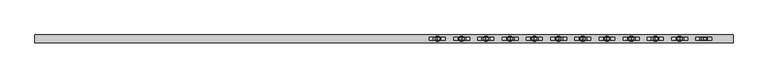
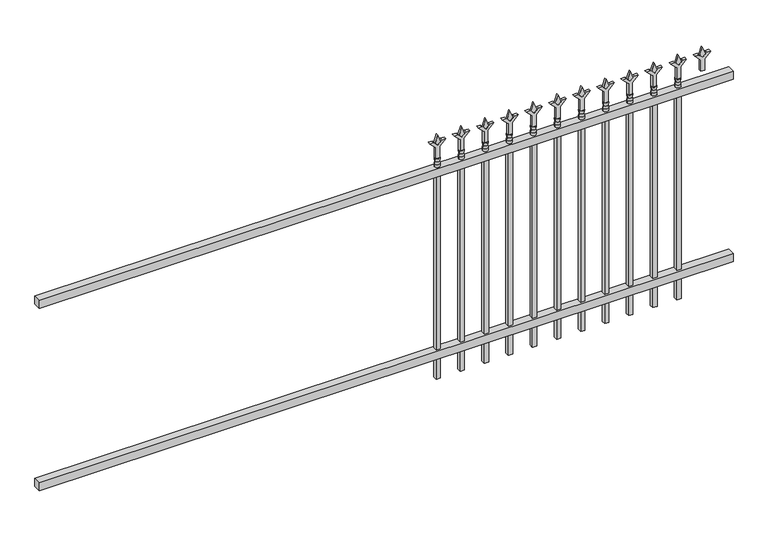
"""IFC4 building model written with IfcOpenShell, lengths in millimetres: railing geometry."""

from ifc_helpers import new_model, si_unit, frame, origin, place, context, project, spatial, polyline, circle_curve, outline, extrude, source, transform, mapped, element, save
from ifc_brep_helpers import plane_surface, cylinder_surface, revolved_surface, advanced_brep


def railing_3e22c603(model_context):
    return source(origin(), model_context, "Body", "SolidModel", [
        extrude(outline(polyline([(-79633.318087, 3004.8804826), (-79633.318087, 3039.8054826), (-76483.718087, 3039.8054826), (-76483.718087, 3004.8804826), (-79633.318087, 3004.8804826)])), frame((0.0, 0.0, 1028.7), z_axis=(0.0, 0.0, 1.0), x_axis=(1.0, 0.0, 0.0)), (0.0, 0.0, 1.0), 38.1),
        extrude(outline(polyline([(-79633.318087, 3004.8804826), (-79633.318087, 3039.8054826), (-76483.718087, 3039.8054826), (-76483.718087, 3004.8804826), (-79633.318087, 3004.8804826)])), frame((0.0, 0.0, 152.4), z_axis=(0.0, 0.0, 1.0), x_axis=(1.0, 0.0, 0.0)), (0.0, 0.0, 1.0), 38.1),
        extrude(outline(polyline([(1183.48125, -76712.8472536), (1219.2, -76724.7535036), (1183.48125, -76736.6597536), (1171.575, -76724.7535036), (1183.48125, -76712.8472536)])), frame((0.0, 3017.5804826, 0.0), z_axis=(0.0, 1.0, 0.0), x_axis=(0.0, 0.0, 1.0)), (0.0, 0.0, 1.0), 9.525),
        extrude(outline(polyline([(1108.075, -76716.0222536), (1162.3457378, -76716.0222536), (1189.5355122, -76688.8324791), (1189.5355122, -76706.7929914), (1171.575, -76724.7535036), (1189.5355122, -76742.7140159), (1189.5355122, -76760.6745281), (1162.3457378, -76733.4847536), (1108.075, -76733.4847536), (1108.075, -76716.0222536)])), frame((0.0, 3015.9929826, 0.0), z_axis=(0.0, 1.0, 0.0), x_axis=(0.0, 0.0, 1.0)), (0.0, 0.0, 1.0), 12.7),
        advanced_brep(
        [(-76712.8472536, 3022.3429826, 1079.5), (-76736.6597536, 3022.3429826, 1079.5), (-76736.6597536, 3022.3429826, 1066.8), (-76712.8472536, 3022.3429826, 1066.8), (-76715.0525855, 3022.3429826, 1092.0070585), (-76734.4544218, 3022.3429826, 1092.0070585), (-76712.8472536, 3022.3429826, 1108.075), (-76736.6597536, 3022.3429826, 1108.075), (-76724.7535036, 3022.3429826, 1108.075), (-76724.7535036, 3022.3429826, 1066.8)],
        [
            (0, 1, circle_curve(frame((-76724.7535036, 3022.3429826, 1079.5), z_axis=(0.0, 0.0, -1.0), x_axis=(-1.0, 0.0, 0.0)), 11.90625)),
            (1, 2),
            (2, 3, circle_curve(frame((-76724.7535036, 3022.3429826, 1066.8), z_axis=(0.0, 0.0, 1.0), x_axis=(-1.0, 0.0, 0.0)), 11.90625)),
            (3, 0),
            (1, 0, circle_curve(frame((-76724.7535036, 3022.3429826, 1079.5), z_axis=(0.0, 0.0, -1.0), x_axis=(-1.0, 0.0, 0.0)), 11.90625)),
            (3, 2, circle_curve(frame((-76724.7535036, 3022.3429826, 1066.8), z_axis=(0.0, 0.0, 1.0), x_axis=(-1.0, 0.0, 0.0)), 11.90625)),
            (4, 5, circle_curve(frame((-76724.7535036, 3022.3429826, 1092.0070585), z_axis=(0.0, 0.0, -1.0), x_axis=(-1.0, 0.0, 0.0)), 9.7009181)),
            (5, 1),
            (0, 4),
            (5, 4, circle_curve(frame((-76724.7535036, 3022.3429826, 1092.0070585), z_axis=(0.0, 0.0, -1.0), x_axis=(-1.0, 0.0, 0.0)), 9.7009181)),
            (6, 7, circle_curve(frame((-76724.7535036, 3022.3429826, 1108.075), z_axis=(0.0, 0.0, -1.0), x_axis=(-1.0, 0.0, 0.0)), 11.90625)),
            (7, 5),
            (4, 6),
            (7, 6, circle_curve(frame((-76724.7535036, 3022.3429826, 1108.075), z_axis=(0.0, 0.0, -1.0), x_axis=(-1.0, 0.0, 0.0)), 11.90625)),
            (8, 7),
            (6, 8),
            (2, 9),
            (9, 3),
        ],
        [
            cylinder_surface(frame((-76724.7535036, 3022.3429826, 1066.8), z_axis=(0.0, 0.0, 1.0), x_axis=(-1.0, 0.0, 0.0)), 11.90625),
            revolved_surface(polyline([(-76736.6597536, 3022.3429826, 1079.5), (-76734.4544218, 3022.3429826, 1092.0070585)]), (-76724.7535036, 3022.3429826, 1066.8), (0.0, 0.0, 1.0)),
            revolved_surface(polyline([(-76734.4544218, 3022.3429826, 1092.0070585), (-76736.6597536, 3022.3429826, 1108.075)]), (-76724.7535036, 3022.3429826, 1066.8), (0.0, 0.0, 1.0)),
            plane_surface(frame((-76724.7535036, 3022.3429826, 1108.075), z_axis=(0.0, 0.0, 1.0), x_axis=(-1.0, 0.0, 0.0))),
            plane_surface(frame((-76724.7535036, 3022.3429826, 1066.8), z_axis=(0.0, 0.0, -1.0), x_axis=(-1.0, 0.0, 0.0))),
        ],
        [
            (0, [[1, 2, 3, 4]]),
            (0, [[5, -4, 6, -2]]),
            (1, [[7, 8, -1, 9]]),
            (1, [[10, -9, -5, -8]]),
            (2, [[11, 12, -7, 13]]),
            (2, [[14, -13, -10, -12]]),
            (3, [[15, -11, 16]]),
            (3, [[-16, -14, -15]]),
            (4, [[-3, 17, 18]]),
            (4, [[-6, -18, -17]]),
        ],
    ),
        extrude(outline(polyline([(-76734.2785036, 3031.8679826), (-76715.2285036, 3031.8679826), (-76715.2285036, 3012.8179826), (-76734.2785036, 3012.8179826), (-76734.2785036, 3031.8679826)])), frame((0.0, 0.0, 50.8), z_axis=(0.0, 0.0, 1.0), x_axis=(1.0, 0.0, 0.0)), (0.0, 0.0, 1.0), 1016.0),
        extrude(outline(polyline([(1183.48125, -76822.1201703), (1219.2, -76834.0264203), (1183.48125, -76845.9326703), (1171.575, -76834.0264203), (1183.48125, -76822.1201703)])), frame((0.0, 3017.5804826, 0.0), z_axis=(0.0, 1.0, 0.0), x_axis=(0.0, 0.0, 1.0)), (0.0, 0.0, 1.0), 9.525),
        extrude(outline(polyline([(1108.075, -76825.2951703), (1162.3457378, -76825.2951703), (1189.5355122, -76798.1053958), (1189.5355122, -76816.0659081), (1171.575, -76834.0264203), (1189.5355122, -76851.9869325), (1189.5355122, -76869.9474448), (1162.3457378, -76842.7576703), (1108.075, -76842.7576703), (1108.075, -76825.2951703)])), frame((0.0, 3015.9929826, 0.0), z_axis=(0.0, 1.0, 0.0), x_axis=(0.0, 0.0, 1.0)), (0.0, 0.0, 1.0), 12.7),
        advanced_brep(
        [(-76822.1201703, 3022.3429826, 1079.5), (-76845.9326703, 3022.3429826, 1079.5), (-76845.9326703, 3022.3429826, 1066.8), (-76822.1201703, 3022.3429826, 1066.8), (-76824.3255022, 3022.3429826, 1092.0070585), (-76843.7273384, 3022.3429826, 1092.0070585), (-76822.1201703, 3022.3429826, 1108.075), (-76845.9326703, 3022.3429826, 1108.075), (-76834.0264203, 3022.3429826, 1108.075), (-76834.0264203, 3022.3429826, 1066.8)],
        [
            (0, 1, circle_curve(frame((-76834.0264203, 3022.3429826, 1079.5), z_axis=(0.0, 0.0, -1.0), x_axis=(-1.0, 0.0, 0.0)), 11.90625)),
            (1, 2),
            (2, 3, circle_curve(frame((-76834.0264203, 3022.3429826, 1066.8), z_axis=(0.0, 0.0, 1.0), x_axis=(-1.0, 0.0, 0.0)), 11.90625)),
            (3, 0),
            (1, 0, circle_curve(frame((-76834.0264203, 3022.3429826, 1079.5), z_axis=(0.0, 0.0, -1.0), x_axis=(-1.0, 0.0, 0.0)), 11.90625)),
            (3, 2, circle_curve(frame((-76834.0264203, 3022.3429826, 1066.8), z_axis=(0.0, 0.0, 1.0), x_axis=(-1.0, 0.0, 0.0)), 11.90625)),
            (4, 5, circle_curve(frame((-76834.0264203, 3022.3429826, 1092.0070585), z_axis=(0.0, 0.0, -1.0), x_axis=(-1.0, 0.0, 0.0)), 9.7009181)),
            (5, 1),
            (0, 4),
            (5, 4, circle_curve(frame((-76834.0264203, 3022.3429826, 1092.0070585), z_axis=(0.0, 0.0, -1.0), x_axis=(-1.0, 0.0, 0.0)), 9.7009181)),
            (6, 7, circle_curve(frame((-76834.0264203, 3022.3429826, 1108.075), z_axis=(0.0, 0.0, -1.0), x_axis=(-1.0, 0.0, 0.0)), 11.90625)),
            (7, 5),
            (4, 6),
            (7, 6, circle_curve(frame((-76834.0264203, 3022.3429826, 1108.075), z_axis=(0.0, 0.0, -1.0), x_axis=(-1.0, 0.0, 0.0)), 11.90625)),
            (8, 7),
            (6, 8),
            (2, 9),
            (9, 3),
        ],
        [
            cylinder_surface(frame((-76834.0264203, 3022.3429826, 1066.8), z_axis=(0.0, 0.0, 1.0), x_axis=(-1.0, 0.0, 0.0)), 11.90625),
            revolved_surface(polyline([(-76845.9326703, 3022.3429826, 1079.5), (-76843.7273384, 3022.3429826, 1092.0070585)]), (-76834.0264203, 3022.3429826, 1066.8), (0.0, 0.0, 1.0)),
            revolved_surface(polyline([(-76843.7273384, 3022.3429826, 1092.0070585), (-76845.9326703, 3022.3429826, 1108.075)]), (-76834.0264203, 3022.3429826, 1066.8), (0.0, 0.0, 1.0)),
            plane_surface(frame((-76834.0264203, 3022.3429826, 1108.075), z_axis=(0.0, 0.0, 1.0), x_axis=(-1.0, 0.0, 0.0))),
            plane_surface(frame((-76834.0264203, 3022.3429826, 1066.8), z_axis=(0.0, 0.0, -1.0), x_axis=(-1.0, 0.0, 0.0))),
        ],
        [
            (0, [[1, 2, 3, 4]]),
            (0, [[5, -4, 6, -2]]),
            (1, [[7, 8, -1, 9]]),
            (1, [[10, -9, -5, -8]]),
            (2, [[11, 12, -7, 13]]),
            (2, [[14, -13, -10, -12]]),
            (3, [[15, -11, 16]]),
            (3, [[-16, -14, -15]]),
            (4, [[-3, 17, 18]]),
            (4, [[-6, -18, -17]]),
        ],
    ),
        extrude(outline(polyline([(-76843.5514203, 3031.8679826), (-76824.5014203, 3031.8679826), (-76824.5014203, 3012.8179826), (-76843.5514203, 3012.8179826), (-76843.5514203, 3031.8679826)])), frame((0.0, 0.0, 50.8), z_axis=(0.0, 0.0, 1.0), x_axis=(1.0, 0.0, 0.0)), (0.0, 0.0, 1.0), 1016.0),
        extrude(outline(polyline([(1183.48125, -76931.393087), (1219.2, -76943.299337), (1183.48125, -76955.205587), (1171.575, -76943.299337), (1183.48125, -76931.393087)])), frame((0.0, 3017.5804826, 0.0), z_axis=(0.0, 1.0, 0.0), x_axis=(0.0, 0.0, 1.0)), (0.0, 0.0, 1.0), 9.525),
        extrude(outline(polyline([(1108.075, -76934.568087), (1162.3457378, -76934.568087), (1189.5355122, -76907.3783125), (1189.5355122, -76925.3388247), (1171.575, -76943.299337), (1189.5355122, -76961.2598492), (1189.5355122, -76979.2203614), (1162.3457378, -76952.030587), (1108.075, -76952.030587), (1108.075, -76934.568087)])), frame((0.0, 3015.9929826, 0.0), z_axis=(0.0, 1.0, 0.0), x_axis=(0.0, 0.0, 1.0)), (0.0, 0.0, 1.0), 12.7),
        advanced_brep(
        [(-76931.393087, 3022.3429826, 1079.5), (-76955.205587, 3022.3429826, 1079.5), (-76955.205587, 3022.3429826, 1066.8), (-76931.393087, 3022.3429826, 1066.8), (-76933.5984188, 3022.3429826, 1092.0070585), (-76953.0002551, 3022.3429826, 1092.0070585), (-76931.393087, 3022.3429826, 1108.075), (-76955.205587, 3022.3429826, 1108.075), (-76943.299337, 3022.3429826, 1108.075), (-76943.299337, 3022.3429826, 1066.8)],
        [
            (0, 1, circle_curve(frame((-76943.299337, 3022.3429826, 1079.5), z_axis=(0.0, 0.0, -1.0), x_axis=(-1.0, 0.0, 0.0)), 11.90625)),
            (1, 2),
            (2, 3, circle_curve(frame((-76943.299337, 3022.3429826, 1066.8), z_axis=(0.0, 0.0, 1.0), x_axis=(-1.0, 0.0, 0.0)), 11.90625)),
            (3, 0),
            (1, 0, circle_curve(frame((-76943.299337, 3022.3429826, 1079.5), z_axis=(0.0, 0.0, -1.0), x_axis=(-1.0, 0.0, 0.0)), 11.90625)),
            (3, 2, circle_curve(frame((-76943.299337, 3022.3429826, 1066.8), z_axis=(0.0, 0.0, 1.0), x_axis=(-1.0, 0.0, 0.0)), 11.90625)),
            (4, 5, circle_curve(frame((-76943.299337, 3022.3429826, 1092.0070585), z_axis=(0.0, 0.0, -1.0), x_axis=(-1.0, 0.0, 0.0)), 9.7009181)),
            (5, 1),
            (0, 4),
            (5, 4, circle_curve(frame((-76943.299337, 3022.3429826, 1092.0070585), z_axis=(0.0, 0.0, -1.0), x_axis=(-1.0, 0.0, 0.0)), 9.7009181)),
            (6, 7, circle_curve(frame((-76943.299337, 3022.3429826, 1108.075), z_axis=(0.0, 0.0, -1.0), x_axis=(-1.0, 0.0, 0.0)), 11.90625)),
            (7, 5),
            (4, 6),
            (7, 6, circle_curve(frame((-76943.299337, 3022.3429826, 1108.075), z_axis=(0.0, 0.0, -1.0), x_axis=(-1.0, 0.0, 0.0)), 11.90625)),
            (8, 7),
            (6, 8),
            (2, 9),
            (9, 3),
        ],
        [
            cylinder_surface(frame((-76943.299337, 3022.3429826, 1066.8), z_axis=(0.0, 0.0, 1.0), x_axis=(-1.0, 0.0, 0.0)), 11.90625),
            revolved_surface(polyline([(-76955.205587, 3022.3429826, 1079.5), (-76953.0002551, 3022.3429826, 1092.0070585)]), (-76943.299337, 3022.3429826, 1066.8), (0.0, 0.0, 1.0)),
            revolved_surface(polyline([(-76953.0002551, 3022.3429826, 1092.0070585), (-76955.205587, 3022.3429826, 1108.075)]), (-76943.299337, 3022.3429826, 1066.8), (0.0, 0.0, 1.0)),
            plane_surface(frame((-76943.299337, 3022.3429826, 1108.075), z_axis=(0.0, 0.0, 1.0), x_axis=(-1.0, 0.0, 0.0))),
            plane_surface(frame((-76943.299337, 3022.3429826, 1066.8), z_axis=(0.0, 0.0, -1.0), x_axis=(-1.0, 0.0, 0.0))),
        ],
        [
            (0, [[1, 2, 3, 4]]),
            (0, [[5, -4, 6, -2]]),
            (1, [[7, 8, -1, 9]]),
            (1, [[10, -9, -5, -8]]),
            (2, [[11, 12, -7, 13]]),
            (2, [[14, -13, -10, -12]]),
            (3, [[15, -11, 16]]),
            (3, [[-16, -14, -15]]),
            (4, [[-3, 17, 18]]),
            (4, [[-6, -18, -17]]),
        ],
    ),
        extrude(outline(polyline([(-76952.824337, 3031.8679826), (-76933.774337, 3031.8679826), (-76933.774337, 3012.8179826), (-76952.824337, 3012.8179826), (-76952.824337, 3031.8679826)])), frame((0.0, 0.0, 50.8), z_axis=(0.0, 0.0, 1.0), x_axis=(1.0, 0.0, 0.0)), (0.0, 0.0, 1.0), 1016.0),
        extrude(outline(polyline([(1183.48125, -77040.6660036), (1219.2, -77052.5722536), (1183.48125, -77064.4785036), (1171.575, -77052.5722536), (1183.48125, -77040.6660036)])), frame((0.0, 3017.5804826, 0.0), z_axis=(0.0, 1.0, 0.0), x_axis=(0.0, 0.0, 1.0)), (0.0, 0.0, 1.0), 9.525),
        extrude(outline(polyline([(1108.075, -77043.8410036), (1162.3457378, -77043.8410036), (1189.5355122, -77016.6512291), (1189.5355122, -77034.6117414), (1171.575, -77052.5722536), (1189.5355122, -77070.5327659), (1189.5355122, -77088.4932781), (1162.3457378, -77061.3035036), (1108.075, -77061.3035036), (1108.075, -77043.8410036)])), frame((0.0, 3015.9929826, 0.0), z_axis=(0.0, 1.0, 0.0), x_axis=(0.0, 0.0, 1.0)), (0.0, 0.0, 1.0), 12.7),
        advanced_brep(
        [(-77040.6660036, 3022.3429826, 1079.5), (-77064.4785036, 3022.3429826, 1079.5), (-77064.4785036, 3022.3429826, 1066.8), (-77040.6660036, 3022.3429826, 1066.8), (-77042.8713355, 3022.3429826, 1092.0070585), (-77062.2731718, 3022.3429826, 1092.0070585), (-77040.6660036, 3022.3429826, 1108.075), (-77064.4785036, 3022.3429826, 1108.075), (-77052.5722536, 3022.3429826, 1108.075), (-77052.5722536, 3022.3429826, 1066.8)],
        [
            (0, 1, circle_curve(frame((-77052.5722536, 3022.3429826, 1079.5), z_axis=(0.0, 0.0, -1.0), x_axis=(-1.0, 0.0, 0.0)), 11.90625)),
            (1, 2),
            (2, 3, circle_curve(frame((-77052.5722536, 3022.3429826, 1066.8), z_axis=(0.0, 0.0, 1.0), x_axis=(-1.0, 0.0, 0.0)), 11.90625)),
            (3, 0),
            (1, 0, circle_curve(frame((-77052.5722536, 3022.3429826, 1079.5), z_axis=(0.0, 0.0, -1.0), x_axis=(-1.0, 0.0, 0.0)), 11.90625)),
            (3, 2, circle_curve(frame((-77052.5722536, 3022.3429826, 1066.8), z_axis=(0.0, 0.0, 1.0), x_axis=(-1.0, 0.0, 0.0)), 11.90625)),
            (4, 5, circle_curve(frame((-77052.5722536, 3022.3429826, 1092.0070585), z_axis=(0.0, 0.0, -1.0), x_axis=(-1.0, 0.0, 0.0)), 9.7009181)),
            (5, 1),
            (0, 4),
            (5, 4, circle_curve(frame((-77052.5722536, 3022.3429826, 1092.0070585), z_axis=(0.0, 0.0, -1.0), x_axis=(-1.0, 0.0, 0.0)), 9.7009181)),
            (6, 7, circle_curve(frame((-77052.5722536, 3022.3429826, 1108.075), z_axis=(0.0, 0.0, -1.0), x_axis=(-1.0, 0.0, 0.0)), 11.90625)),
            (7, 5),
            (4, 6),
            (7, 6, circle_curve(frame((-77052.5722536, 3022.3429826, 1108.075), z_axis=(0.0, 0.0, -1.0), x_axis=(-1.0, 0.0, 0.0)), 11.90625)),
            (8, 7),
            (6, 8),
            (2, 9),
            (9, 3),
        ],
        [
            cylinder_surface(frame((-77052.5722536, 3022.3429826, 1066.8), z_axis=(0.0, 0.0, 1.0), x_axis=(-1.0, 0.0, 0.0)), 11.90625),
            revolved_surface(polyline([(-77064.4785036, 3022.3429826, 1079.5), (-77062.2731718, 3022.3429826, 1092.0070585)]), (-77052.5722536, 3022.3429826, 1066.8), (0.0, 0.0, 1.0)),
            revolved_surface(polyline([(-77062.2731718, 3022.3429826, 1092.0070585), (-77064.4785036, 3022.3429826, 1108.075)]), (-77052.5722536, 3022.3429826, 1066.8), (0.0, 0.0, 1.0)),
            plane_surface(frame((-77052.5722536, 3022.3429826, 1108.075), z_axis=(0.0, 0.0, 1.0), x_axis=(-1.0, 0.0, 0.0))),
            plane_surface(frame((-77052.5722536, 3022.3429826, 1066.8), z_axis=(0.0, 0.0, -1.0), x_axis=(-1.0, 0.0, 0.0))),
        ],
        [
            (0, [[1, 2, 3, 4]]),
            (0, [[5, -4, 6, -2]]),
            (1, [[7, 8, -1, 9]]),
            (1, [[10, -9, -5, -8]]),
            (2, [[11, 12, -7, 13]]),
            (2, [[14, -13, -10, -12]]),
            (3, [[15, -11, 16]]),
            (3, [[-16, -14, -15]]),
            (4, [[-3, 17, 18]]),
            (4, [[-6, -18, -17]]),
        ],
    ),
        extrude(outline(polyline([(-77062.0972536, 3031.8679826), (-77043.0472536, 3031.8679826), (-77043.0472536, 3012.8179826), (-77062.0972536, 3012.8179826), (-77062.0972536, 3031.8679826)])), frame((0.0, 0.0, 50.8), z_axis=(0.0, 0.0, 1.0), x_axis=(1.0, 0.0, 0.0)), (0.0, 0.0, 1.0), 1016.0),
        extrude(outline(polyline([(1183.48125, -77149.9389203), (1219.2, -77161.8451703), (1183.48125, -77173.7514203), (1171.575, -77161.8451703), (1183.48125, -77149.9389203)])), frame((0.0, 3017.5804826, 0.0), z_axis=(0.0, 1.0, 0.0), x_axis=(0.0, 0.0, 1.0)), (0.0, 0.0, 1.0), 9.525),
        extrude(outline(polyline([(1108.075, -77153.1139203), (1162.3457378, -77153.1139203), (1189.5355122, -77125.9241458), (1189.5355122, -77143.8846581), (1171.575, -77161.8451703), (1189.5355122, -77179.8056825), (1189.5355122, -77197.7661948), (1162.3457378, -77170.5764203), (1108.075, -77170.5764203), (1108.075, -77153.1139203)])), frame((0.0, 3015.9929826, 0.0), z_axis=(0.0, 1.0, 0.0), x_axis=(0.0, 0.0, 1.0)), (0.0, 0.0, 1.0), 12.7),
        advanced_brep(
        [(-77149.9389203, 3022.3429826, 1079.5), (-77173.7514203, 3022.3429826, 1079.5), (-77173.7514203, 3022.3429826, 1066.8), (-77149.9389203, 3022.3429826, 1066.8), (-77152.1442522, 3022.3429826, 1092.0070585), (-77171.5460884, 3022.3429826, 1092.0070585), (-77149.9389203, 3022.3429826, 1108.075), (-77173.7514203, 3022.3429826, 1108.075), (-77161.8451703, 3022.3429826, 1108.075), (-77161.8451703, 3022.3429826, 1066.8)],
        [
            (0, 1, circle_curve(frame((-77161.8451703, 3022.3429826, 1079.5), z_axis=(0.0, 0.0, -1.0), x_axis=(-1.0, 0.0, 0.0)), 11.90625)),
            (1, 2),
            (2, 3, circle_curve(frame((-77161.8451703, 3022.3429826, 1066.8), z_axis=(0.0, 0.0, 1.0), x_axis=(-1.0, 0.0, 0.0)), 11.90625)),
            (3, 0),
            (1, 0, circle_curve(frame((-77161.8451703, 3022.3429826, 1079.5), z_axis=(0.0, 0.0, -1.0), x_axis=(-1.0, 0.0, 0.0)), 11.90625)),
            (3, 2, circle_curve(frame((-77161.8451703, 3022.3429826, 1066.8), z_axis=(0.0, 0.0, 1.0), x_axis=(-1.0, 0.0, 0.0)), 11.90625)),
            (4, 5, circle_curve(frame((-77161.8451703, 3022.3429826, 1092.0070585), z_axis=(0.0, 0.0, -1.0), x_axis=(-1.0, 0.0, 0.0)), 9.7009181)),
            (5, 1),
            (0, 4),
            (5, 4, circle_curve(frame((-77161.8451703, 3022.3429826, 1092.0070585), z_axis=(0.0, 0.0, -1.0), x_axis=(-1.0, 0.0, 0.0)), 9.7009181)),
            (6, 7, circle_curve(frame((-77161.8451703, 3022.3429826, 1108.075), z_axis=(0.0, 0.0, -1.0), x_axis=(-1.0, 0.0, 0.0)), 11.90625)),
            (7, 5),
            (4, 6),
            (7, 6, circle_curve(frame((-77161.8451703, 3022.3429826, 1108.075), z_axis=(0.0, 0.0, -1.0), x_axis=(-1.0, 0.0, 0.0)), 11.90625)),
            (8, 7),
            (6, 8),
            (2, 9),
            (9, 3),
        ],
        [
            cylinder_surface(frame((-77161.8451703, 3022.3429826, 1066.8), z_axis=(0.0, 0.0, 1.0), x_axis=(-1.0, 0.0, 0.0)), 11.90625),
            revolved_surface(polyline([(-77173.7514203, 3022.3429826, 1079.5), (-77171.5460884, 3022.3429826, 1092.0070585)]), (-77161.8451703, 3022.3429826, 1066.8), (0.0, 0.0, 1.0)),
            revolved_surface(polyline([(-77171.5460884, 3022.3429826, 1092.0070585), (-77173.7514203, 3022.3429826, 1108.075)]), (-77161.8451703, 3022.3429826, 1066.8), (0.0, 0.0, 1.0)),
            plane_surface(frame((-77161.8451703, 3022.3429826, 1108.075), z_axis=(0.0, 0.0, 1.0), x_axis=(-1.0, 0.0, 0.0))),
            plane_surface(frame((-77161.8451703, 3022.3429826, 1066.8), z_axis=(0.0, 0.0, -1.0), x_axis=(-1.0, 0.0, 0.0))),
        ],
        [
            (0, [[1, 2, 3, 4]]),
            (0, [[5, -4, 6, -2]]),
            (1, [[7, 8, -1, 9]]),
            (1, [[10, -9, -5, -8]]),
            (2, [[11, 12, -7, 13]]),
            (2, [[14, -13, -10, -12]]),
            (3, [[15, -11, 16]]),
            (3, [[-16, -14, -15]]),
            (4, [[-3, 17, 18]]),
            (4, [[-6, -18, -17]]),
        ],
    ),
        extrude(outline(polyline([(-77171.3701703, 3031.8679826), (-77152.3201703, 3031.8679826), (-77152.3201703, 3012.8179826), (-77171.3701703, 3012.8179826), (-77171.3701703, 3031.8679826)])), frame((0.0, 0.0, 50.8), z_axis=(0.0, 0.0, 1.0), x_axis=(1.0, 0.0, 0.0)), (0.0, 0.0, 1.0), 1016.0),
        extrude(outline(polyline([(1183.48125, -77259.211837), (1219.2, -77271.118087), (1183.48125, -77283.024337), (1171.575, -77271.118087), (1183.48125, -77259.211837)])), frame((0.0, 3017.5804826, 0.0), z_axis=(0.0, 1.0, 0.0), x_axis=(0.0, 0.0, 1.0)), (0.0, 0.0, 1.0), 9.525),
        extrude(outline(polyline([(1108.075, -77262.386837), (1162.3457378, -77262.386837), (1189.5355122, -77235.1970625), (1189.5355122, -77253.1575747), (1171.575, -77271.118087), (1189.5355122, -77289.0785992), (1189.5355122, -77307.0391114), (1162.3457378, -77279.849337), (1108.075, -77279.849337), (1108.075, -77262.386837)])), frame((0.0, 3015.9929826, 0.0), z_axis=(0.0, 1.0, 0.0), x_axis=(0.0, 0.0, 1.0)), (0.0, 0.0, 1.0), 12.7),
        advanced_brep(
        [(-77259.211837, 3022.3429826, 1079.5), (-77283.024337, 3022.3429826, 1079.5), (-77283.024337, 3022.3429826, 1066.8), (-77259.211837, 3022.3429826, 1066.8), (-77261.4171688, 3022.3429826, 1092.0070585), (-77280.8190051, 3022.3429826, 1092.0070585), (-77259.211837, 3022.3429826, 1108.075), (-77283.024337, 3022.3429826, 1108.075), (-77271.118087, 3022.3429826, 1108.075), (-77271.118087, 3022.3429826, 1066.8)],
        [
            (0, 1, circle_curve(frame((-77271.118087, 3022.3429826, 1079.5), z_axis=(0.0, 0.0, -1.0), x_axis=(-1.0, 0.0, 0.0)), 11.90625)),
            (1, 2),
            (2, 3, circle_curve(frame((-77271.118087, 3022.3429826, 1066.8), z_axis=(0.0, 0.0, 1.0), x_axis=(-1.0, 0.0, 0.0)), 11.90625)),
            (3, 0),
            (1, 0, circle_curve(frame((-77271.118087, 3022.3429826, 1079.5), z_axis=(0.0, 0.0, -1.0), x_axis=(-1.0, 0.0, 0.0)), 11.90625)),
            (3, 2, circle_curve(frame((-77271.118087, 3022.3429826, 1066.8), z_axis=(0.0, 0.0, 1.0), x_axis=(-1.0, 0.0, 0.0)), 11.90625)),
            (4, 5, circle_curve(frame((-77271.118087, 3022.3429826, 1092.0070585), z_axis=(0.0, 0.0, -1.0), x_axis=(-1.0, 0.0, 0.0)), 9.7009181)),
            (5, 1),
            (0, 4),
            (5, 4, circle_curve(frame((-77271.118087, 3022.3429826, 1092.0070585), z_axis=(0.0, 0.0, -1.0), x_axis=(-1.0, 0.0, 0.0)), 9.7009181)),
            (6, 7, circle_curve(frame((-77271.118087, 3022.3429826, 1108.075), z_axis=(0.0, 0.0, -1.0), x_axis=(-1.0, 0.0, 0.0)), 11.90625)),
            (7, 5),
            (4, 6),
            (7, 6, circle_curve(frame((-77271.118087, 3022.3429826, 1108.075), z_axis=(0.0, 0.0, -1.0), x_axis=(-1.0, 0.0, 0.0)), 11.90625)),
            (8, 7),
            (6, 8),
            (2, 9),
            (9, 3),
        ],
        [
            cylinder_surface(frame((-77271.118087, 3022.3429826, 1066.8), z_axis=(0.0, 0.0, 1.0), x_axis=(-1.0, 0.0, 0.0)), 11.90625),
            revolved_surface(polyline([(-77283.024337, 3022.3429826, 1079.5), (-77280.8190051, 3022.3429826, 1092.0070585)]), (-77271.118087, 3022.3429826, 1066.8), (0.0, 0.0, 1.0)),
            revolved_surface(polyline([(-77280.8190051, 3022.3429826, 1092.0070585), (-77283.024337, 3022.3429826, 1108.075)]), (-77271.118087, 3022.3429826, 1066.8), (0.0, 0.0, 1.0)),
            plane_surface(frame((-77271.118087, 3022.3429826, 1108.075), z_axis=(0.0, 0.0, 1.0), x_axis=(-1.0, 0.0, 0.0))),
            plane_surface(frame((-77271.118087, 3022.3429826, 1066.8), z_axis=(0.0, 0.0, -1.0), x_axis=(-1.0, 0.0, 0.0))),
        ],
        [
            (0, [[1, 2, 3, 4]]),
            (0, [[5, -4, 6, -2]]),
            (1, [[7, 8, -1, 9]]),
            (1, [[10, -9, -5, -8]]),
            (2, [[11, 12, -7, 13]]),
            (2, [[14, -13, -10, -12]]),
            (3, [[15, -11, 16]]),
            (3, [[-16, -14, -15]]),
            (4, [[-3, 17, 18]]),
            (4, [[-6, -18, -17]]),
        ],
    ),
        extrude(outline(polyline([(-77280.643087, 3031.8679826), (-77261.593087, 3031.8679826), (-77261.593087, 3012.8179826), (-77280.643087, 3012.8179826), (-77280.643087, 3031.8679826)])), frame((0.0, 0.0, 50.8), z_axis=(0.0, 0.0, 1.0), x_axis=(1.0, 0.0, 0.0)), (0.0, 0.0, 1.0), 1016.0),
        extrude(outline(polyline([(1183.48125, -77368.4847536), (1219.2, -77380.3910036), (1183.48125, -77392.2972536), (1171.575, -77380.3910036), (1183.48125, -77368.4847536)])), frame((0.0, 3017.5804826, 0.0), z_axis=(0.0, 1.0, 0.0), x_axis=(0.0, 0.0, 1.0)), (0.0, 0.0, 1.0), 9.525),
        extrude(outline(polyline([(1108.075, -77371.6597536), (1162.3457378, -77371.6597536), (1189.5355122, -77344.4699791), (1189.5355122, -77362.4304914), (1171.575, -77380.3910036), (1189.5355122, -77398.3515159), (1189.5355122, -77416.3120281), (1162.3457378, -77389.1222536), (1108.075, -77389.1222536), (1108.075, -77371.6597536)])), frame((0.0, 3015.9929826, 0.0), z_axis=(0.0, 1.0, 0.0), x_axis=(0.0, 0.0, 1.0)), (0.0, 0.0, 1.0), 12.7),
        advanced_brep(
        [(-77368.4847536, 3022.3429826, 1079.5), (-77392.2972536, 3022.3429826, 1079.5), (-77392.2972536, 3022.3429826, 1066.8), (-77368.4847536, 3022.3429826, 1066.8), (-77370.6900855, 3022.3429826, 1092.0070585), (-77390.0919218, 3022.3429826, 1092.0070585), (-77368.4847536, 3022.3429826, 1108.075), (-77392.2972536, 3022.3429826, 1108.075), (-77380.3910036, 3022.3429826, 1108.075), (-77380.3910036, 3022.3429826, 1066.8)],
        [
            (0, 1, circle_curve(frame((-77380.3910036, 3022.3429826, 1079.5), z_axis=(0.0, 0.0, -1.0), x_axis=(-1.0, 0.0, 0.0)), 11.90625)),
            (1, 2),
            (2, 3, circle_curve(frame((-77380.3910036, 3022.3429826, 1066.8), z_axis=(0.0, 0.0, 1.0), x_axis=(-1.0, 0.0, 0.0)), 11.90625)),
            (3, 0),
            (1, 0, circle_curve(frame((-77380.3910036, 3022.3429826, 1079.5), z_axis=(0.0, 0.0, -1.0), x_axis=(-1.0, 0.0, 0.0)), 11.90625)),
            (3, 2, circle_curve(frame((-77380.3910036, 3022.3429826, 1066.8), z_axis=(0.0, 0.0, 1.0), x_axis=(-1.0, 0.0, 0.0)), 11.90625)),
            (4, 5, circle_curve(frame((-77380.3910036, 3022.3429826, 1092.0070585), z_axis=(0.0, 0.0, -1.0), x_axis=(-1.0, 0.0, 0.0)), 9.7009181)),
            (5, 1),
            (0, 4),
            (5, 4, circle_curve(frame((-77380.3910036, 3022.3429826, 1092.0070585), z_axis=(0.0, 0.0, -1.0), x_axis=(-1.0, 0.0, 0.0)), 9.7009181)),
            (6, 7, circle_curve(frame((-77380.3910036, 3022.3429826, 1108.075), z_axis=(0.0, 0.0, -1.0), x_axis=(-1.0, 0.0, 0.0)), 11.90625)),
            (7, 5),
            (4, 6),
            (7, 6, circle_curve(frame((-77380.3910036, 3022.3429826, 1108.075), z_axis=(0.0, 0.0, -1.0), x_axis=(-1.0, 0.0, 0.0)), 11.90625)),
            (8, 7),
            (6, 8),
            (2, 9),
            (9, 3),
        ],
        [
            cylinder_surface(frame((-77380.3910036, 3022.3429826, 1066.8), z_axis=(0.0, 0.0, 1.0), x_axis=(-1.0, 0.0, 0.0)), 11.90625),
            revolved_surface(polyline([(-77392.2972536, 3022.3429826, 1079.5), (-77390.0919218, 3022.3429826, 1092.0070585)]), (-77380.3910036, 3022.3429826, 1066.8), (0.0, 0.0, 1.0)),
            revolved_surface(polyline([(-77390.0919218, 3022.3429826, 1092.0070585), (-77392.2972536, 3022.3429826, 1108.075)]), (-77380.3910036, 3022.3429826, 1066.8), (0.0, 0.0, 1.0)),
            plane_surface(frame((-77380.3910036, 3022.3429826, 1108.075), z_axis=(0.0, 0.0, 1.0), x_axis=(-1.0, 0.0, 0.0))),
            plane_surface(frame((-77380.3910036, 3022.3429826, 1066.8), z_axis=(0.0, 0.0, -1.0), x_axis=(-1.0, 0.0, 0.0))),
        ],
        [
            (0, [[1, 2, 3, 4]]),
            (0, [[5, -4, 6, -2]]),
            (1, [[7, 8, -1, 9]]),
            (1, [[10, -9, -5, -8]]),
            (2, [[11, 12, -7, 13]]),
            (2, [[14, -13, -10, -12]]),
            (3, [[15, -11, 16]]),
            (3, [[-16, -14, -15]]),
            (4, [[-3, 17, 18]]),
            (4, [[-6, -18, -17]]),
        ],
    ),
        extrude(outline(polyline([(-77389.9160036, 3031.8679826), (-77370.8660036, 3031.8679826), (-77370.8660036, 3012.8179826), (-77389.9160036, 3012.8179826), (-77389.9160036, 3031.8679826)])), frame((0.0, 0.0, 50.8), z_axis=(0.0, 0.0, 1.0), x_axis=(1.0, 0.0, 0.0)), (0.0, 0.0, 1.0), 1016.0),
        extrude(outline(polyline([(1183.48125, -77477.7576703), (1219.2, -77489.6639203), (1183.48125, -77501.5701703), (1171.575, -77489.6639203), (1183.48125, -77477.7576703)])), frame((0.0, 3017.5804826, 0.0), z_axis=(0.0, 1.0, 0.0), x_axis=(0.0, 0.0, 1.0)), (0.0, 0.0, 1.0), 9.525),
        extrude(outline(polyline([(1108.075, -77480.9326703), (1162.3457378, -77480.9326703), (1189.5355122, -77453.7428958), (1189.5355122, -77471.7034081), (1171.575, -77489.6639203), (1189.5355122, -77507.6244325), (1189.5355122, -77525.5849448), (1162.3457378, -77498.3951703), (1108.075, -77498.3951703), (1108.075, -77480.9326703)])), frame((0.0, 3015.9929826, 0.0), z_axis=(0.0, 1.0, 0.0), x_axis=(0.0, 0.0, 1.0)), (0.0, 0.0, 1.0), 12.7),
        advanced_brep(
        [(-77477.7576703, 3022.3429826, 1079.5), (-77501.5701703, 3022.3429826, 1079.5), (-77501.5701703, 3022.3429826, 1066.8), (-77477.7576703, 3022.3429826, 1066.8), (-77479.9630022, 3022.3429826, 1092.0070585), (-77499.3648384, 3022.3429826, 1092.0070585), (-77477.7576703, 3022.3429826, 1108.075), (-77501.5701703, 3022.3429826, 1108.075), (-77489.6639203, 3022.3429826, 1108.075), (-77489.6639203, 3022.3429826, 1066.8)],
        [
            (0, 1, circle_curve(frame((-77489.6639203, 3022.3429826, 1079.5), z_axis=(0.0, 0.0, -1.0), x_axis=(-1.0, 0.0, 0.0)), 11.90625)),
            (1, 2),
            (2, 3, circle_curve(frame((-77489.6639203, 3022.3429826, 1066.8), z_axis=(0.0, 0.0, 1.0), x_axis=(-1.0, 0.0, 0.0)), 11.90625)),
            (3, 0),
            (1, 0, circle_curve(frame((-77489.6639203, 3022.3429826, 1079.5), z_axis=(0.0, 0.0, -1.0), x_axis=(-1.0, 0.0, 0.0)), 11.90625)),
            (3, 2, circle_curve(frame((-77489.6639203, 3022.3429826, 1066.8), z_axis=(0.0, 0.0, 1.0), x_axis=(-1.0, 0.0, 0.0)), 11.90625)),
            (4, 5, circle_curve(frame((-77489.6639203, 3022.3429826, 1092.0070585), z_axis=(0.0, 0.0, -1.0), x_axis=(-1.0, 0.0, 0.0)), 9.7009181)),
            (5, 1),
            (0, 4),
            (5, 4, circle_curve(frame((-77489.6639203, 3022.3429826, 1092.0070585), z_axis=(0.0, 0.0, -1.0), x_axis=(-1.0, 0.0, 0.0)), 9.7009181)),
            (6, 7, circle_curve(frame((-77489.6639203, 3022.3429826, 1108.075), z_axis=(0.0, 0.0, -1.0), x_axis=(-1.0, 0.0, 0.0)), 11.90625)),
            (7, 5),
            (4, 6),
            (7, 6, circle_curve(frame((-77489.6639203, 3022.3429826, 1108.075), z_axis=(0.0, 0.0, -1.0), x_axis=(-1.0, 0.0, 0.0)), 11.90625)),
            (8, 7),
            (6, 8),
            (2, 9),
            (9, 3),
        ],
        [
            cylinder_surface(frame((-77489.6639203, 3022.3429826, 1066.8), z_axis=(0.0, 0.0, 1.0), x_axis=(-1.0, 0.0, 0.0)), 11.90625),
            revolved_surface(polyline([(-77501.5701703, 3022.3429826, 1079.5), (-77499.3648384, 3022.3429826, 1092.0070585)]), (-77489.6639203, 3022.3429826, 1066.8), (0.0, 0.0, 1.0)),
            revolved_surface(polyline([(-77499.3648384, 3022.3429826, 1092.0070585), (-77501.5701703, 3022.3429826, 1108.075)]), (-77489.6639203, 3022.3429826, 1066.8), (0.0, 0.0, 1.0)),
            plane_surface(frame((-77489.6639203, 3022.3429826, 1108.075), z_axis=(0.0, 0.0, 1.0), x_axis=(-1.0, 0.0, 0.0))),
            plane_surface(frame((-77489.6639203, 3022.3429826, 1066.8), z_axis=(0.0, 0.0, -1.0), x_axis=(-1.0, 0.0, 0.0))),
        ],
        [
            (0, [[1, 2, 3, 4]]),
            (0, [[5, -4, 6, -2]]),
            (1, [[7, 8, -1, 9]]),
            (1, [[10, -9, -5, -8]]),
            (2, [[11, 12, -7, 13]]),
            (2, [[14, -13, -10, -12]]),
            (3, [[15, -11, 16]]),
            (3, [[-16, -14, -15]]),
            (4, [[-3, 17, 18]]),
            (4, [[-6, -18, -17]]),
        ],
    ),
        extrude(outline(polyline([(-77499.1889203, 3031.8679826), (-77480.1389203, 3031.8679826), (-77480.1389203, 3012.8179826), (-77499.1889203, 3012.8179826), (-77499.1889203, 3031.8679826)])), frame((0.0, 0.0, 50.8), z_axis=(0.0, 0.0, 1.0), x_axis=(1.0, 0.0, 0.0)), (0.0, 0.0, 1.0), 1016.0),
        extrude(outline(polyline([(1183.48125, -77587.030587), (1219.2, -77598.936837), (1183.48125, -77610.843087), (1171.575, -77598.936837), (1183.48125, -77587.030587)])), frame((0.0, 3017.5804826, 0.0), z_axis=(0.0, 1.0, 0.0), x_axis=(0.0, 0.0, 1.0)), (0.0, 0.0, 1.0), 9.525),
        extrude(outline(polyline([(1108.075, -77590.205587), (1162.3457378, -77590.205587), (1189.5355122, -77563.0158125), (1189.5355122, -77580.9763247), (1171.575, -77598.936837), (1189.5355122, -77616.8973492), (1189.5355122, -77634.8578614), (1162.3457378, -77607.668087), (1108.075, -77607.668087), (1108.075, -77590.205587)])), frame((0.0, 3015.9929826, 0.0), z_axis=(0.0, 1.0, 0.0), x_axis=(0.0, 0.0, 1.0)), (0.0, 0.0, 1.0), 12.7),
        advanced_brep(
        [(-77587.030587, 3022.3429826, 1079.5), (-77610.843087, 3022.3429826, 1079.5), (-77610.843087, 3022.3429826, 1066.8), (-77587.030587, 3022.3429826, 1066.8), (-77589.2359188, 3022.3429826, 1092.0070585), (-77608.6377551, 3022.3429826, 1092.0070585), (-77587.030587, 3022.3429826, 1108.075), (-77610.843087, 3022.3429826, 1108.075), (-77598.936837, 3022.3429826, 1108.075), (-77598.936837, 3022.3429826, 1066.8)],
        [
            (0, 1, circle_curve(frame((-77598.936837, 3022.3429826, 1079.5), z_axis=(0.0, 0.0, -1.0), x_axis=(-1.0, 0.0, 0.0)), 11.90625)),
            (1, 2),
            (2, 3, circle_curve(frame((-77598.936837, 3022.3429826, 1066.8), z_axis=(0.0, 0.0, 1.0), x_axis=(-1.0, 0.0, 0.0)), 11.90625)),
            (3, 0),
            (1, 0, circle_curve(frame((-77598.936837, 3022.3429826, 1079.5), z_axis=(0.0, 0.0, -1.0), x_axis=(-1.0, 0.0, 0.0)), 11.90625)),
            (3, 2, circle_curve(frame((-77598.936837, 3022.3429826, 1066.8), z_axis=(0.0, 0.0, 1.0), x_axis=(-1.0, 0.0, 0.0)), 11.90625)),
            (4, 5, circle_curve(frame((-77598.936837, 3022.3429826, 1092.0070585), z_axis=(0.0, 0.0, -1.0), x_axis=(-1.0, 0.0, 0.0)), 9.7009181)),
            (5, 1),
            (0, 4),
            (5, 4, circle_curve(frame((-77598.936837, 3022.3429826, 1092.0070585), z_axis=(0.0, 0.0, -1.0), x_axis=(-1.0, 0.0, 0.0)), 9.7009181)),
            (6, 7, circle_curve(frame((-77598.936837, 3022.3429826, 1108.075), z_axis=(0.0, 0.0, -1.0), x_axis=(-1.0, 0.0, 0.0)), 11.90625)),
            (7, 5),
            (4, 6),
            (7, 6, circle_curve(frame((-77598.936837, 3022.3429826, 1108.075), z_axis=(0.0, 0.0, -1.0), x_axis=(-1.0, 0.0, 0.0)), 11.90625)),
            (8, 7),
            (6, 8),
            (2, 9),
            (9, 3),
        ],
        [
            cylinder_surface(frame((-77598.936837, 3022.3429826, 1066.8), z_axis=(0.0, 0.0, 1.0), x_axis=(-1.0, 0.0, 0.0)), 11.90625),
            revolved_surface(polyline([(-77610.843087, 3022.3429826, 1079.5), (-77608.6377551, 3022.3429826, 1092.0070585)]), (-77598.936837, 3022.3429826, 1066.8), (0.0, 0.0, 1.0)),
            revolved_surface(polyline([(-77608.6377551, 3022.3429826, 1092.0070585), (-77610.843087, 3022.3429826, 1108.075)]), (-77598.936837, 3022.3429826, 1066.8), (0.0, 0.0, 1.0)),
            plane_surface(frame((-77598.936837, 3022.3429826, 1108.075), z_axis=(0.0, 0.0, 1.0), x_axis=(-1.0, 0.0, 0.0))),
            plane_surface(frame((-77598.936837, 3022.3429826, 1066.8), z_axis=(0.0, 0.0, -1.0), x_axis=(-1.0, 0.0, 0.0))),
        ],
        [
            (0, [[1, 2, 3, 4]]),
            (0, [[5, -4, 6, -2]]),
            (1, [[7, 8, -1, 9]]),
            (1, [[10, -9, -5, -8]]),
            (2, [[11, 12, -7, 13]]),
            (2, [[14, -13, -10, -12]]),
            (3, [[15, -11, 16]]),
            (3, [[-16, -14, -15]]),
            (4, [[-3, 17, 18]]),
            (4, [[-6, -18, -17]]),
        ],
    ),
        extrude(outline(polyline([(-77608.461837, 3031.8679826), (-77589.411837, 3031.8679826), (-77589.411837, 3012.8179826), (-77608.461837, 3012.8179826), (-77608.461837, 3031.8679826)])), frame((0.0, 0.0, 50.8), z_axis=(0.0, 0.0, 1.0), x_axis=(1.0, 0.0, 0.0)), (0.0, 0.0, 1.0), 1016.0),
        extrude(outline(polyline([(1183.48125, -77696.3035036), (1219.2, -77708.2097536), (1183.48125, -77720.1160036), (1171.575, -77708.2097536), (1183.48125, -77696.3035036)])), frame((0.0, 3017.5804826, 0.0), z_axis=(0.0, 1.0, 0.0), x_axis=(0.0, 0.0, 1.0)), (0.0, 0.0, 1.0), 9.525),
        extrude(outline(polyline([(1108.075, -77699.4785036), (1162.3457378, -77699.4785036), (1189.5355122, -77672.2887291), (1189.5355122, -77690.2492414), (1171.575, -77708.2097536), (1189.5355122, -77726.1702659), (1189.5355122, -77744.1307781), (1162.3457378, -77716.9410036), (1108.075, -77716.9410036), (1108.075, -77699.4785036)])), frame((0.0, 3015.9929826, 0.0), z_axis=(0.0, 1.0, 0.0), x_axis=(0.0, 0.0, 1.0)), (0.0, 0.0, 1.0), 12.7),
        advanced_brep(
        [(-77696.3035036, 3022.3429826, 1079.5), (-77720.1160036, 3022.3429826, 1079.5), (-77720.1160036, 3022.3429826, 1066.8), (-77696.3035036, 3022.3429826, 1066.8), (-77698.5088355, 3022.3429826, 1092.0070585), (-77717.9106718, 3022.3429826, 1092.0070585), (-77696.3035036, 3022.3429826, 1108.075), (-77720.1160036, 3022.3429826, 1108.075), (-77708.2097536, 3022.3429826, 1108.075), (-77708.2097536, 3022.3429826, 1066.8)],
        [
            (0, 1, circle_curve(frame((-77708.2097536, 3022.3429826, 1079.5), z_axis=(0.0, 0.0, -1.0), x_axis=(-1.0, 0.0, 0.0)), 11.90625)),
            (1, 2),
            (2, 3, circle_curve(frame((-77708.2097536, 3022.3429826, 1066.8), z_axis=(0.0, 0.0, 1.0), x_axis=(-1.0, 0.0, 0.0)), 11.90625)),
            (3, 0),
            (1, 0, circle_curve(frame((-77708.2097536, 3022.3429826, 1079.5), z_axis=(0.0, 0.0, -1.0), x_axis=(-1.0, 0.0, 0.0)), 11.90625)),
            (3, 2, circle_curve(frame((-77708.2097536, 3022.3429826, 1066.8), z_axis=(0.0, 0.0, 1.0), x_axis=(-1.0, 0.0, 0.0)), 11.90625)),
            (4, 5, circle_curve(frame((-77708.2097536, 3022.3429826, 1092.0070585), z_axis=(0.0, 0.0, -1.0), x_axis=(-1.0, 0.0, 0.0)), 9.7009181)),
            (5, 1),
            (0, 4),
            (5, 4, circle_curve(frame((-77708.2097536, 3022.3429826, 1092.0070585), z_axis=(0.0, 0.0, -1.0), x_axis=(-1.0, 0.0, 0.0)), 9.7009181)),
            (6, 7, circle_curve(frame((-77708.2097536, 3022.3429826, 1108.075), z_axis=(0.0, 0.0, -1.0), x_axis=(-1.0, 0.0, 0.0)), 11.90625)),
            (7, 5),
            (4, 6),
            (7, 6, circle_curve(frame((-77708.2097536, 3022.3429826, 1108.075), z_axis=(0.0, 0.0, -1.0), x_axis=(-1.0, 0.0, 0.0)), 11.90625)),
            (8, 7),
            (6, 8),
            (2, 9),
            (9, 3),
        ],
        [
            cylinder_surface(frame((-77708.2097536, 3022.3429826, 1066.8), z_axis=(0.0, 0.0, 1.0), x_axis=(-1.0, 0.0, 0.0)), 11.90625),
            revolved_surface(polyline([(-77720.1160036, 3022.3429826, 1079.5), (-77717.9106718, 3022.3429826, 1092.0070585)]), (-77708.2097536, 3022.3429826, 1066.8), (0.0, 0.0, 1.0)),
            revolved_surface(polyline([(-77717.9106718, 3022.3429826, 1092.0070585), (-77720.1160036, 3022.3429826, 1108.075)]), (-77708.2097536, 3022.3429826, 1066.8), (0.0, 0.0, 1.0)),
            plane_surface(frame((-77708.2097536, 3022.3429826, 1108.075), z_axis=(0.0, 0.0, 1.0), x_axis=(-1.0, 0.0, 0.0))),
            plane_surface(frame((-77708.2097536, 3022.3429826, 1066.8), z_axis=(0.0, 0.0, -1.0), x_axis=(-1.0, 0.0, 0.0))),
        ],
        [
            (0, [[1, 2, 3, 4]]),
            (0, [[5, -4, 6, -2]]),
            (1, [[7, 8, -1, 9]]),
            (1, [[10, -9, -5, -8]]),
            (2, [[11, 12, -7, 13]]),
            (2, [[14, -13, -10, -12]]),
            (3, [[15, -11, 16]]),
            (3, [[-16, -14, -15]]),
            (4, [[-3, 17, 18]]),
            (4, [[-6, -18, -17]]),
        ],
    ),
        extrude(outline(polyline([(-77717.7347536, 3031.8679826), (-77698.6847536, 3031.8679826), (-77698.6847536, 3012.8179826), (-77717.7347536, 3012.8179826), (-77717.7347536, 3031.8679826)])), frame((0.0, 0.0, 50.8), z_axis=(0.0, 0.0, 1.0), x_axis=(1.0, 0.0, 0.0)), (0.0, 0.0, 1.0), 1016.0),
        extrude(outline(polyline([(1183.48125, -77805.5764203), (1219.2, -77817.4826703), (1183.48125, -77829.3889203), (1171.575, -77817.4826703), (1183.48125, -77805.5764203)])), frame((0.0, 3017.5804826, 0.0), z_axis=(0.0, 1.0, 0.0), x_axis=(0.0, 0.0, 1.0)), (0.0, 0.0, 1.0), 9.525),
        extrude(outline(polyline([(1108.075, -77808.7514203), (1162.3457378, -77808.7514203), (1189.5355122, -77781.5616458), (1189.5355122, -77799.5221581), (1171.575, -77817.4826703), (1189.5355122, -77835.4431825), (1189.5355122, -77853.4036948), (1162.3457378, -77826.2139203), (1108.075, -77826.2139203), (1108.075, -77808.7514203)])), frame((0.0, 3015.9929826, 0.0), z_axis=(0.0, 1.0, 0.0), x_axis=(0.0, 0.0, 1.0)), (0.0, 0.0, 1.0), 12.7),
        advanced_brep(
        [(-77805.5764203, 3022.3429826, 1079.5), (-77829.3889203, 3022.3429826, 1079.5), (-77829.3889203, 3022.3429826, 1066.8), (-77805.5764203, 3022.3429826, 1066.8), (-77807.7817522, 3022.3429826, 1092.0070585), (-77827.1835884, 3022.3429826, 1092.0070585), (-77805.5764203, 3022.3429826, 1108.075), (-77829.3889203, 3022.3429826, 1108.075), (-77817.4826703, 3022.3429826, 1108.075), (-77817.4826703, 3022.3429826, 1066.8)],
        [
            (0, 1, circle_curve(frame((-77817.4826703, 3022.3429826, 1079.5), z_axis=(0.0, 0.0, -1.0), x_axis=(-1.0, 0.0, 0.0)), 11.90625)),
            (1, 2),
            (2, 3, circle_curve(frame((-77817.4826703, 3022.3429826, 1066.8), z_axis=(0.0, 0.0, 1.0), x_axis=(-1.0, 0.0, 0.0)), 11.90625)),
            (3, 0),
            (1, 0, circle_curve(frame((-77817.4826703, 3022.3429826, 1079.5), z_axis=(0.0, 0.0, -1.0), x_axis=(-1.0, 0.0, 0.0)), 11.90625)),
            (3, 2, circle_curve(frame((-77817.4826703, 3022.3429826, 1066.8), z_axis=(0.0, 0.0, 1.0), x_axis=(-1.0, 0.0, 0.0)), 11.90625)),
            (4, 5, circle_curve(frame((-77817.4826703, 3022.3429826, 1092.0070585), z_axis=(0.0, 0.0, -1.0), x_axis=(-1.0, 0.0, 0.0)), 9.7009181)),
            (5, 1),
            (0, 4),
            (5, 4, circle_curve(frame((-77817.4826703, 3022.3429826, 1092.0070585), z_axis=(0.0, 0.0, -1.0), x_axis=(-1.0, 0.0, 0.0)), 9.7009181)),
            (6, 7, circle_curve(frame((-77817.4826703, 3022.3429826, 1108.075), z_axis=(0.0, 0.0, -1.0), x_axis=(-1.0, 0.0, 0.0)), 11.90625)),
            (7, 5),
            (4, 6),
            (7, 6, circle_curve(frame((-77817.4826703, 3022.3429826, 1108.075), z_axis=(0.0, 0.0, -1.0), x_axis=(-1.0, 0.0, 0.0)), 11.90625)),
            (8, 7),
            (6, 8),
            (2, 9),
            (9, 3),
        ],
        [
            cylinder_surface(frame((-77817.4826703, 3022.3429826, 1066.8), z_axis=(0.0, 0.0, 1.0), x_axis=(-1.0, 0.0, 0.0)), 11.90625),
            revolved_surface(polyline([(-77829.3889203, 3022.3429826, 1079.5), (-77827.1835884, 3022.3429826, 1092.0070585)]), (-77817.4826703, 3022.3429826, 1066.8), (0.0, 0.0, 1.0)),
            revolved_surface(polyline([(-77827.1835884, 3022.3429826, 1092.0070585), (-77829.3889203, 3022.3429826, 1108.075)]), (-77817.4826703, 3022.3429826, 1066.8), (0.0, 0.0, 1.0)),
            plane_surface(frame((-77817.4826703, 3022.3429826, 1108.075), z_axis=(0.0, 0.0, 1.0), x_axis=(-1.0, 0.0, 0.0))),
            plane_surface(frame((-77817.4826703, 3022.3429826, 1066.8), z_axis=(0.0, 0.0, -1.0), x_axis=(-1.0, 0.0, 0.0))),
        ],
        [
            (0, [[1, 2, 3, 4]]),
            (0, [[5, -4, 6, -2]]),
            (1, [[7, 8, -1, 9]]),
            (1, [[10, -9, -5, -8]]),
            (2, [[11, 12, -7, 13]]),
            (2, [[14, -13, -10, -12]]),
            (3, [[15, -11, 16]]),
            (3, [[-16, -14, -15]]),
            (4, [[-3, 17, 18]]),
            (4, [[-6, -18, -17]]),
        ],
    ),
        extrude(outline(polyline([(-77827.0076703, 3031.8679826), (-77807.9576703, 3031.8679826), (-77807.9576703, 3012.8179826), (-77827.0076703, 3012.8179826), (-77827.0076703, 3031.8679826)])), frame((0.0, 0.0, 50.8), z_axis=(0.0, 0.0, 1.0), x_axis=(1.0, 0.0, 0.0)), (0.0, 0.0, 1.0), 1016.0),
        extrude(outline(polyline([(1183.48125, -76603.574337), (1219.2, -76615.480587), (1183.48125, -76627.386837), (1171.575, -76615.480587), (1183.48125, -76603.574337)])), frame((0.0, 3017.5804826, 0.0), z_axis=(0.0, 1.0, 0.0), x_axis=(0.0, 0.0, 1.0)), (0.0, 0.0, 1.0), 9.525),
        extrude(outline(polyline([(1108.075, -76606.749337), (1162.3457378, -76606.749337), (1189.5355122, -76579.5595625), (1189.5355122, -76597.5200747), (1171.575, -76615.480587), (1189.5355122, -76633.4410992), (1189.5355122, -76651.4016114), (1162.3457378, -76624.211837), (1108.075, -76624.211837), (1108.075, -76606.749337)])), frame((0.0, 3015.9929826, 0.0), z_axis=(0.0, 1.0, 0.0), x_axis=(0.0, 0.0, 1.0)), (0.0, 0.0, 1.0), 12.7),
    ])


if __name__ == "__main__":
    model = new_model("IFC4")
    model_context = context("Model", 3, world=origin())
    ifc_project = project(units=[si_unit("LENGTHUNIT", "METRE", prefix="MILLI")], contexts=[model_context])
    site = spatial("IfcSite", under=ifc_project)
    building = spatial("IfcBuilding", under=site)
    placement = place(None, origin())
    railing_shape = railing_3e22c603(model_context)
    element("IfcRailing", 1, at=placement, inside=building, context=model_context, shape_type="MappedRepresentation", body=[
        mapped(railing_shape, transform((0.0, 0.0, 0.0), x_axis=(1.0, 0.0, 0.0), y_axis=(0.0, 1.0, 0.0), z_axis=(0.0, 0.0, 1.0))),
    ])
    save(model, "model.ifc")
